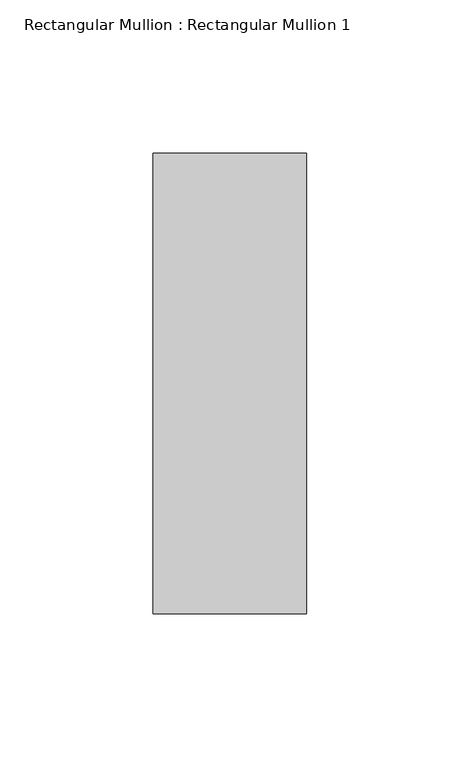
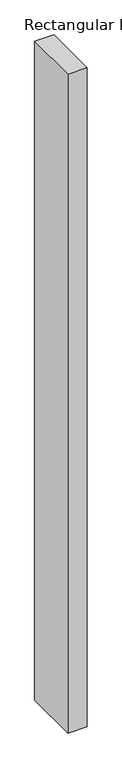
"""IFC4 building model written with IfcOpenShell, lengths in millimetres: member geometry, Rectangular Mullion : Rectangular Mullion 1."""

import ifcopenshell
import ifcopenshell.guid

model = None  # the IFC model being written
_history = None  # IfcOwnerHistory: only IFC2X3 demands one
_inside = {}  # id of a spatial element -> (the spatial element, [elements in it])
_under = {}  # id of a project, library or spatial element -> (it, [spatial elements below it])
_declared = {}  # id of a project -> (the project, [libraries it declares])
_typed = {}  # id of a type object -> (the type object, [elements of that type])
_made_of = {}  # id of a material, layer set ... -> (it, [elements and type objects made of it])


def new_model(schema):
    """Start an empty IFC model of exactly this schema.

    Asked for "IFC4X3", IfcOpenShell would pick the latest addendum, in which some entities
    have other attributes; the version numbers below select the first issue.
    IFC2X3 requires an IfcOwnerHistory on every rooted entity: one is made here for all.
    """
    global model, _history
    if schema == "IFC4X3":
        model = ifcopenshell.file(schema_version=(4, 3, 0, 0))
    else:
        model = ifcopenshell.file(schema=schema)
    _inside.clear()
    _under.clear()
    _declared.clear()
    _typed.clear()
    _made_of.clear()
    _history = None
    if model.schema == "IFC2X3":
        org = make("IfcOrganization", Name="unknown")
        user = make(
            "IfcPersonAndOrganization",
            ThePerson=make("IfcPerson", FamilyName="unknown"),
            TheOrganization=org,
        )
        app = make(
            "IfcApplication",
            ApplicationDeveloper=org,
            Version="unknown",
            ApplicationFullName="unknown",
            ApplicationIdentifier="unknown",
        )
        _history = make(
            "IfcOwnerHistory",
            OwningUser=user,
            OwningApplication=app,
            ChangeAction="ADDED",
            CreationDate=0,
        )
    return model


def make(cls, **values):
    """One entity of the class cls with the attributes given. An attribute that is None is left unset."""
    return model.create_entity(
        cls, **{name: value for name, value in values.items() if value is not None}
    )


def rooted(cls, **values):
    """An entity with a GlobalId (a new one), such as an element, a storey or a relation."""
    return make(cls, GlobalId=ifcopenshell.guid.new(), OwnerHistory=_history, **values)


def si_unit(unit_type, name, prefix=None):
    """IfcSIUnit, for example si_unit("LENGTHUNIT", "METRE", prefix="MILLI")."""
    return make("IfcSIUnit", UnitType=unit_type, Prefix=prefix, Name=name)


def assignment(units):
    """IfcUnitAssignment: the units of a project."""
    return None if units is None else make("IfcUnitAssignment", Units=units)


def point(xyz):
    """IfcCartesianPoint."""
    return None if xyz is None else make("IfcCartesianPoint", Coordinates=xyz)


def direction(xyz):
    """IfcDirection."""
    return None if xyz is None else make("IfcDirection", DirectionRatios=xyz)


def frame(location, z_axis=None, x_axis=None):
    """IfcAxis2Placement3D, a coordinate frame: its origin and axes. An axis left out is left unset."""
    return make(
        "IfcAxis2Placement3D",
        Location=point(location),
        Axis=direction(z_axis),
        RefDirection=direction(x_axis),
    )


def origin():
    """The frame at (0, 0, 0) with its axes left unset."""
    return frame((0.0, 0.0, 0.0))


def place(relative_to, where):
    """IfcLocalPlacement: puts the frame where relative to a parent placement (None: the world)."""
    return make(
        "IfcLocalPlacement", PlacementRelTo=relative_to, RelativePlacement=where
    )


def context(
    kind, dimensions, precision=None, world=None, true_north=None, identifier=None
):
    """IfcGeometricRepresentationContext, for example the 3D "Model" context."""
    return make(
        "IfcGeometricRepresentationContext",
        ContextIdentifier=identifier,
        ContextType=kind,
        CoordinateSpaceDimension=dimensions,
        Precision=precision,
        WorldCoordinateSystem=world,
        TrueNorth=true_north,
    )


def project(units=None, contexts=None):
    """IfcProject with its units and contexts."""
    return rooted(
        "IfcProject",
        Name="project",
        RepresentationContexts=contexts,
        UnitsInContext=assignment(units),
    )


def spatial(cls, under=None, at=None, **own):
    """A site, building, storey or space (cls), placed at a placement, below another one or the project."""
    s = rooted(cls, ObjectPlacement=at, **own)
    if under is not None:
        _under.setdefault(under.id(), (under, []))[1].append(s)
    return s


def polyline(points):
    """IfcPolyline through the points."""
    return make("IfcPolyline", Points=[point(p) for p in points])


def outline(outer, holes=None, kind="AREA"):
    """IfcArbitraryClosedProfileDef: a profile drawn as a closed curve; with holes, ...WithVoids."""
    if holes is None:
        return make("IfcArbitraryClosedProfileDef", ProfileType=kind, OuterCurve=outer)
    return make(
        "IfcArbitraryProfileDefWithVoids",
        ProfileType=kind,
        OuterCurve=outer,
        InnerCurves=holes,
    )


def extrude(swept, where, along, depth):
    """IfcExtrudedAreaSolid: the profile swept, set in the frame where, extruded along a direction by depth."""
    return make(
        "IfcExtrudedAreaSolid",
        SweptArea=swept,
        Position=where,
        ExtrudedDirection=direction(along),
        Depth=depth,
    )


def shape(context_of_items, identifier, shape_type, items):
    """IfcShapeRepresentation: the items that make up one representation, for example the "Body"."""
    return make(
        "IfcShapeRepresentation",
        ContextOfItems=context_of_items,
        RepresentationIdentifier=identifier,
        RepresentationType=shape_type,
        Items=items,
    )


def source(mapping_origin, context_of_items, identifier, shape_type, items):
    """IfcRepresentationMap: a shape defined once, which mapped items show again and again."""
    return make(
        "IfcRepresentationMap",
        MappingOrigin=mapping_origin,
        MappedRepresentation=shape(context_of_items, identifier, shape_type, items),
    )


def transform(
    local_origin,
    x_axis=None,
    y_axis=None,
    z_axis=None,
    scale=None,
    scale2=None,
    scale3=None,
    uniform=True,
):
    """IfcCartesianTransformationOperator3D, or its non-uniform kind. x_axis, y_axis, z_axis: its Axis1, 2, 3."""
    if uniform:
        return make(
            "IfcCartesianTransformationOperator3D",
            Axis1=direction(x_axis),
            Axis2=direction(y_axis),
            LocalOrigin=point(local_origin),
            Scale=scale,
            Axis3=direction(z_axis),
        )
    return make(
        "IfcCartesianTransformationOperator3DnonUniform",
        Axis1=direction(x_axis),
        Axis2=direction(y_axis),
        LocalOrigin=point(local_origin),
        Scale=scale,
        Axis3=direction(z_axis),
        Scale2=scale2,
        Scale3=scale3,
    )


def mapped(mapping_source, mapping_target):
    """IfcMappedItem: shows the shape of a source again, moved by a transform."""
    return make(
        "IfcMappedItem", MappingSource=mapping_source, MappingTarget=mapping_target
    )


def made_of(thing, what):
    """Note that an element or type object is made of a material, layer set ...; save() writes the relation."""
    if what is not None:
        _made_of.setdefault(what.id(), (what, []))[1].append(thing)
    return thing


def element(
    cls,
    number,
    at=None,
    inside=None,
    cuts=None,
    type_object=None,
    material=None,
    context=None,
    identifier="Body",
    shape_type=None,
    held_by="IfcProductDefinitionShape",
    body=None,
    shapes=None,
    **own,
):
    """One element of the class cls, such as IfcWall. Its Tag is "e" and its number.

    at: its placement. inside: the storey or other place that contains it. cuts: it is an
    opening in that element (IfcRelVoidsElement). A single representation is given by context,
    identifier, shape_type and body (its items); several are given by shapes. held_by: the class
    of the entity that holds the representations. save() writes the other relations.
    """
    e = rooted(cls, Tag="e%d" % number, ObjectPlacement=at, **own)
    if body is not None:
        shapes = [shape(context, identifier, shape_type, body)]
    if shapes is not None:
        e.Representation = make(held_by, Representations=shapes)
    if inside is not None:
        _inside.setdefault(inside.id(), (inside, []))[1].append(e)
    if cuts is not None:
        rooted(
            "IfcRelVoidsElement", RelatingBuildingElement=cuts, RelatedOpeningElement=e
        )
    if type_object is not None:
        _typed.setdefault(type_object.id(), (type_object, []))[1].append(e)
    return made_of(e, material)


def aggregate(whole, parts):
    """IfcRelAggregates: a whole, such as a stair, and the parts it consists of."""
    return rooted("IfcRelAggregates", RelatingObject=whole, RelatedObjects=parts)


def save(model, path):
    """Write the relations noted so far, then the file.

    IfcRelAggregates (storeys below a building ...), IfcRelContainedInSpatialStructure (elements
    in a storey), IfcRelDefinesByType, IfcRelAssociatesMaterial and IfcRelDeclares: one each for
    every whole, place, type object, material and project.
    """
    for whole, parts in _under.values():
        aggregate(whole, parts)
    for where, things in _inside.values():
        rooted(
            "IfcRelContainedInSpatialStructure",
            RelatedElements=things,
            RelatingStructure=where,
        )
    for kind, things in _typed.values():
        rooted("IfcRelDefinesByType", RelatedObjects=things, RelatingType=kind)
    for what, things in _made_of.values():
        rooted("IfcRelAssociatesMaterial", RelatedObjects=things, RelatingMaterial=what)
    for by, libraries in _declared.values():
        rooted("IfcRelDeclares", RelatingContext=by, RelatedDefinitions=libraries)
    model.write(path)


def rectangular_mullion_rectangular_mullion_1_3e09c4a7(model_context):
    return source(origin(), model_context, "Body", "SweptSolid", [
        extrude(outline(polyline([(0.0, 75.0), (0.0, -75.0), (-50.0, -75.0), (-50.0, 75.0), (0.0, 75.0)])), frame((0.0, 0.0, -1816.1089137), z_axis=(0.0, 0.0, 1.0), x_axis=(1.0, 0.0, 0.0)), (0.0, 0.0, 1.0), 1816.1089137),
    ])


if __name__ == "__main__":
    model = new_model("IFC4")
    model_context = context("Model", 3, world=origin())
    ifc_project = project(units=[si_unit("LENGTHUNIT", "METRE", prefix="MILLI")], contexts=[model_context])
    site = spatial("IfcSite", under=ifc_project)
    building = spatial("IfcBuilding", under=site)
    placement = place(None, origin())
    rectangular_mullion_rectangular_mullion_1_shape = rectangular_mullion_rectangular_mullion_1_3e09c4a7(model_context)
    element("IfcMember", 1, ObjectType="Rectangular Mullion : Rectangular Mullion 1", at=placement, inside=building, context=model_context, shape_type="MappedRepresentation", body=[
        mapped(rectangular_mullion_rectangular_mullion_1_shape, transform((0.0, 0.0, 0.0), x_axis=(1.0, 0.0, 0.0), y_axis=(0.0, 1.0, 0.0), z_axis=(0.0, 0.0, 1.0))),
    ])
    save(model, "model.ifc")
